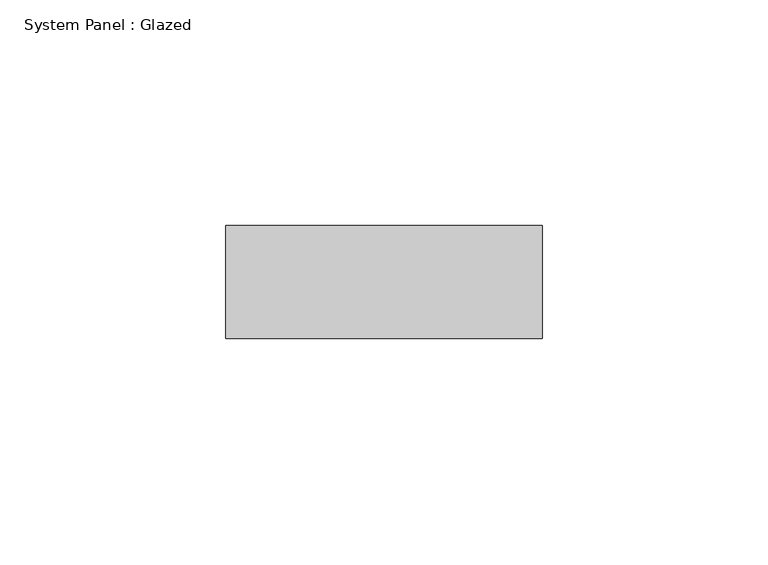
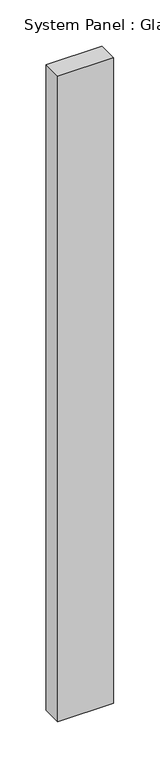
"""IFC4 building model written with IfcOpenShell, lengths in millimetres: plate geometry, System Panel : Glazed."""

import ifcopenshell
import ifcopenshell.guid

model = None  # the IFC model being written
_history = None  # IfcOwnerHistory: only IFC2X3 demands one
_inside = {}  # id of a spatial element -> (the spatial element, [elements in it])
_under = {}  # id of a project, library or spatial element -> (it, [spatial elements below it])
_declared = {}  # id of a project -> (the project, [libraries it declares])
_typed = {}  # id of a type object -> (the type object, [elements of that type])
_made_of = {}  # id of a material, layer set ... -> (it, [elements and type objects made of it])


def new_model(schema):
    """Start an empty IFC model of exactly this schema.

    Asked for "IFC4X3", IfcOpenShell would pick the latest addendum, in which some entities
    have other attributes; the version numbers below select the first issue.
    IFC2X3 requires an IfcOwnerHistory on every rooted entity: one is made here for all.
    """
    global model, _history
    if schema == "IFC4X3":
        model = ifcopenshell.file(schema_version=(4, 3, 0, 0))
    else:
        model = ifcopenshell.file(schema=schema)
    _inside.clear()
    _under.clear()
    _declared.clear()
    _typed.clear()
    _made_of.clear()
    _history = None
    if model.schema == "IFC2X3":
        org = make("IfcOrganization", Name="unknown")
        user = make(
            "IfcPersonAndOrganization",
            ThePerson=make("IfcPerson", FamilyName="unknown"),
            TheOrganization=org,
        )
        app = make(
            "IfcApplication",
            ApplicationDeveloper=org,
            Version="unknown",
            ApplicationFullName="unknown",
            ApplicationIdentifier="unknown",
        )
        _history = make(
            "IfcOwnerHistory",
            OwningUser=user,
            OwningApplication=app,
            ChangeAction="ADDED",
            CreationDate=0,
        )
    return model


def make(cls, **values):
    """One entity of the class cls with the attributes given. An attribute that is None is left unset."""
    return model.create_entity(
        cls, **{name: value for name, value in values.items() if value is not None}
    )


def rooted(cls, **values):
    """An entity with a GlobalId (a new one), such as an element, a storey or a relation."""
    return make(cls, GlobalId=ifcopenshell.guid.new(), OwnerHistory=_history, **values)


def si_unit(unit_type, name, prefix=None):
    """IfcSIUnit, for example si_unit("LENGTHUNIT", "METRE", prefix="MILLI")."""
    return make("IfcSIUnit", UnitType=unit_type, Prefix=prefix, Name=name)


def assignment(units):
    """IfcUnitAssignment: the units of a project."""
    return None if units is None else make("IfcUnitAssignment", Units=units)


def point(xyz):
    """IfcCartesianPoint."""
    return None if xyz is None else make("IfcCartesianPoint", Coordinates=xyz)


def direction(xyz):
    """IfcDirection."""
    return None if xyz is None else make("IfcDirection", DirectionRatios=xyz)


def frame(location, z_axis=None, x_axis=None):
    """IfcAxis2Placement3D, a coordinate frame: its origin and axes. An axis left out is left unset."""
    return make(
        "IfcAxis2Placement3D",
        Location=point(location),
        Axis=direction(z_axis),
        RefDirection=direction(x_axis),
    )


def origin():
    """The frame at (0, 0, 0) with its axes left unset."""
    return frame((0.0, 0.0, 0.0))


def origin_with_axes():
    """The frame at (0, 0, 0) with the z axis (0, 0, 1) and the x axis (1, 0, 0) written out."""
    return frame((0.0, 0.0, 0.0), z_axis=(0.0, 0.0, 1.0), x_axis=(1.0, 0.0, 0.0))


def place(relative_to, where):
    """IfcLocalPlacement: puts the frame where relative to a parent placement (None: the world)."""
    return make(
        "IfcLocalPlacement", PlacementRelTo=relative_to, RelativePlacement=where
    )


def context(
    kind, dimensions, precision=None, world=None, true_north=None, identifier=None
):
    """IfcGeometricRepresentationContext, for example the 3D "Model" context."""
    return make(
        "IfcGeometricRepresentationContext",
        ContextIdentifier=identifier,
        ContextType=kind,
        CoordinateSpaceDimension=dimensions,
        Precision=precision,
        WorldCoordinateSystem=world,
        TrueNorth=true_north,
    )


def project(units=None, contexts=None):
    """IfcProject with its units and contexts."""
    return rooted(
        "IfcProject",
        Name="project",
        RepresentationContexts=contexts,
        UnitsInContext=assignment(units),
    )


def spatial(cls, under=None, at=None, **own):
    """A site, building, storey or space (cls), placed at a placement, below another one or the project."""
    s = rooted(cls, ObjectPlacement=at, **own)
    if under is not None:
        _under.setdefault(under.id(), (under, []))[1].append(s)
    return s


def polyline(points):
    """IfcPolyline through the points."""
    return make("IfcPolyline", Points=[point(p) for p in points])


def outline(outer, holes=None, kind="AREA"):
    """IfcArbitraryClosedProfileDef: a profile drawn as a closed curve; with holes, ...WithVoids."""
    if holes is None:
        return make("IfcArbitraryClosedProfileDef", ProfileType=kind, OuterCurve=outer)
    return make(
        "IfcArbitraryProfileDefWithVoids",
        ProfileType=kind,
        OuterCurve=outer,
        InnerCurves=holes,
    )


def extrude(swept, where, along, depth):
    """IfcExtrudedAreaSolid: the profile swept, set in the frame where, extruded along a direction by depth."""
    return make(
        "IfcExtrudedAreaSolid",
        SweptArea=swept,
        Position=where,
        ExtrudedDirection=direction(along),
        Depth=depth,
    )


def shape(context_of_items, identifier, shape_type, items):
    """IfcShapeRepresentation: the items that make up one representation, for example the "Body"."""
    return make(
        "IfcShapeRepresentation",
        ContextOfItems=context_of_items,
        RepresentationIdentifier=identifier,
        RepresentationType=shape_type,
        Items=items,
    )


def source(mapping_origin, context_of_items, identifier, shape_type, items):
    """IfcRepresentationMap: a shape defined once, which mapped items show again and again."""
    return make(
        "IfcRepresentationMap",
        MappingOrigin=mapping_origin,
        MappedRepresentation=shape(context_of_items, identifier, shape_type, items),
    )


def transform(
    local_origin,
    x_axis=None,
    y_axis=None,
    z_axis=None,
    scale=None,
    scale2=None,
    scale3=None,
    uniform=True,
):
    """IfcCartesianTransformationOperator3D, or its non-uniform kind. x_axis, y_axis, z_axis: its Axis1, 2, 3."""
    if uniform:
        return make(
            "IfcCartesianTransformationOperator3D",
            Axis1=direction(x_axis),
            Axis2=direction(y_axis),
            LocalOrigin=point(local_origin),
            Scale=scale,
            Axis3=direction(z_axis),
        )
    return make(
        "IfcCartesianTransformationOperator3DnonUniform",
        Axis1=direction(x_axis),
        Axis2=direction(y_axis),
        LocalOrigin=point(local_origin),
        Scale=scale,
        Axis3=direction(z_axis),
        Scale2=scale2,
        Scale3=scale3,
    )


def mapped(mapping_source, mapping_target):
    """IfcMappedItem: shows the shape of a source again, moved by a transform."""
    return make(
        "IfcMappedItem", MappingSource=mapping_source, MappingTarget=mapping_target
    )


def made_of(thing, what):
    """Note that an element or type object is made of a material, layer set ...; save() writes the relation."""
    if what is not None:
        _made_of.setdefault(what.id(), (what, []))[1].append(thing)
    return thing


def element(
    cls,
    number,
    at=None,
    inside=None,
    cuts=None,
    type_object=None,
    material=None,
    context=None,
    identifier="Body",
    shape_type=None,
    held_by="IfcProductDefinitionShape",
    body=None,
    shapes=None,
    **own,
):
    """One element of the class cls, such as IfcWall. Its Tag is "e" and its number.

    at: its placement. inside: the storey or other place that contains it. cuts: it is an
    opening in that element (IfcRelVoidsElement). A single representation is given by context,
    identifier, shape_type and body (its items); several are given by shapes. held_by: the class
    of the entity that holds the representations. save() writes the other relations.
    """
    e = rooted(cls, Tag="e%d" % number, ObjectPlacement=at, **own)
    if body is not None:
        shapes = [shape(context, identifier, shape_type, body)]
    if shapes is not None:
        e.Representation = make(held_by, Representations=shapes)
    if inside is not None:
        _inside.setdefault(inside.id(), (inside, []))[1].append(e)
    if cuts is not None:
        rooted(
            "IfcRelVoidsElement", RelatingBuildingElement=cuts, RelatedOpeningElement=e
        )
    if type_object is not None:
        _typed.setdefault(type_object.id(), (type_object, []))[1].append(e)
    return made_of(e, material)


def aggregate(whole, parts):
    """IfcRelAggregates: a whole, such as a stair, and the parts it consists of."""
    return rooted("IfcRelAggregates", RelatingObject=whole, RelatedObjects=parts)


def save(model, path):
    """Write the relations noted so far, then the file.

    IfcRelAggregates (storeys below a building ...), IfcRelContainedInSpatialStructure (elements
    in a storey), IfcRelDefinesByType, IfcRelAssociatesMaterial and IfcRelDeclares: one each for
    every whole, place, type object, material and project.
    """
    for whole, parts in _under.values():
        aggregate(whole, parts)
    for where, things in _inside.values():
        rooted(
            "IfcRelContainedInSpatialStructure",
            RelatedElements=things,
            RelatingStructure=where,
        )
    for kind, things in _typed.values():
        rooted("IfcRelDefinesByType", RelatedObjects=things, RelatingType=kind)
    for what, things in _made_of.values():
        rooted("IfcRelAssociatesMaterial", RelatedObjects=things, RelatingMaterial=what)
    for by, libraries in _declared.values():
        rooted("IfcRelDeclares", RelatingContext=by, RelatedDefinitions=libraries)
    model.write(path)


def system_panel_glazed_978c2dc1(model_context):
    return source(origin(), model_context, "Body", "SweptSolid", [
        extrude(outline(polyline([(35.0, 24.5), (-35.0, 24.5), (-35.0, 49.5), (35.0, 49.5), (35.0, 24.5)])), origin_with_axes(), (0.0, 0.0, 1.0), 851.6666667),
    ])


if __name__ == "__main__":
    model = new_model("IFC4")
    model_context = context("Model", 3, world=origin())
    ifc_project = project(units=[si_unit("LENGTHUNIT", "METRE", prefix="MILLI")], contexts=[model_context])
    site = spatial("IfcSite", under=ifc_project)
    building = spatial("IfcBuilding", under=site)
    placement = place(None, origin())
    system_panel_glazed_shape = system_panel_glazed_978c2dc1(model_context)
    element("IfcPlate", 1, ObjectType="System Panel : Glazed", at=placement, inside=building, context=model_context, shape_type="MappedRepresentation", body=[
        mapped(system_panel_glazed_shape, transform((0.0, 0.0, 0.0), x_axis=(1.0, 0.0, 0.0), y_axis=(0.0, 1.0, 0.0), z_axis=(0.0, 0.0, 1.0))),
    ])
    save(model, "model.ifc")
